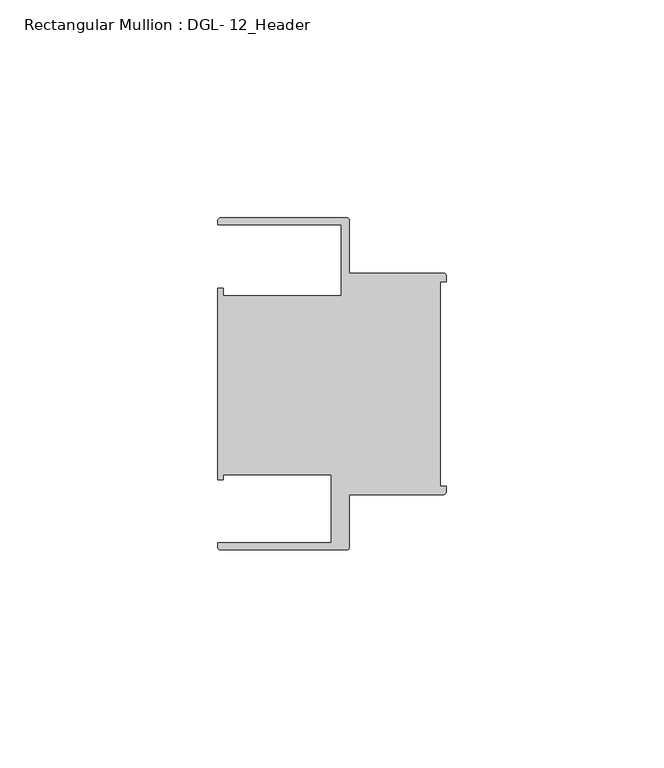
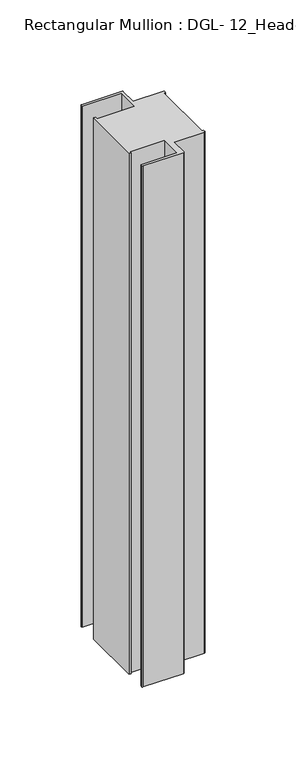
"""IFC4 building model written with IfcOpenShell, lengths in millimetres: member geometry, Rectangular Mullion : DGL- 12_Header."""

from ifc_helpers import new_model, si_unit, point, frame, frame_2d, origin, place, context, project, spatial, polyline, circle_curve, trimmed, segment, composite_curve, outline, extrude, source, transform, mapped, element, save


def rectangular_mullion_dgl_12_header_17392819(model_context):
    return source(origin(), model_context, "Body", "SweptSolid", [
        extrude(outline(composite_curve([segment(trimmed(circle_curve(frame_2d((-0.5953125, 24.8046875)), 0.5953125), [point((-0.5953125, 25.4))], [point((0.0, 24.8046875))], False, "CARTESIAN"), True, "CONTINUOUS"), segment(polyline([(0.0, 24.8046875), (0.0, 23.4882401), (-1.30175, 23.4882401), (-1.30175, -23.4882401), (0.0, -23.4882401), (0.0, -24.8046875)]), True, "CONTINUOUS"), segment(trimmed(circle_curve(frame_2d((-0.5953125, -24.8046875)), 0.5953125), [point((0.0, -24.8046875))], [point((-0.5953125, -25.4))], False, "CARTESIAN"), True, "CONTINUOUS"), segment(polyline([(-0.5953125, -25.4), (-22.2332076, -25.4), (-22.2332076, -37.5047035)]), True, "CONTINUOUS"), segment(trimmed(circle_curve(frame_2d((-22.8285201, -37.5047035)), 0.5953125), [point((-22.2332076, -37.5047035))], [point((-22.8285201, -38.100016))], False, "CARTESIAN"), True, "CONTINUOUS"), segment(polyline([(-22.8285201, -38.100016), (-51.7968699, -38.100016)]), True, "CONTINUOUS"), segment(trimmed(circle_curve(frame_2d((-51.7968699, -37.5047035)), 0.5953125), [point((-51.7968699, -38.100016))], [point((-52.3921824, -37.5047035))], False, "CARTESIAN"), True, "CONTINUOUS"), segment(polyline([(-52.3921824, -37.5047035), (-52.3921824, -36.512516), (-26.3720794, -36.512516), (-26.3720794, -20.8257348), (-51.1280305, -20.8257348), (-51.1280305, -21.9710976), (-52.3948122, -21.9710976), (-52.3948122, 21.9710976), (-51.1280305, 21.9710976), (-51.1280305, 20.1823589), (-24.0747075, 20.1823589), (-24.0747075, 36.5123462), (-52.3921824, 36.5123462), (-52.3921824, 37.5043667)]), True, "CONTINUOUS"), segment(trimmed(circle_curve(frame_2d((-51.7968699, 37.5043667)), 0.5953125), [point((-52.3921824, 37.5043667))], [point((-51.7968699, 38.0996792))], False, "CARTESIAN"), True, "CONTINUOUS"), segment(polyline([(-51.7968699, 38.0996792), (-22.8285201, 38.0996792)]), True, "CONTINUOUS"), segment(trimmed(circle_curve(frame_2d((-22.8285201, 37.5043667)), 0.5953125), [point((-22.8285201, 38.0996792))], [point((-22.2332076, 37.5043667))], False, "CARTESIAN"), True, "CONTINUOUS"), segment(polyline([(-22.2332076, 37.5043667), (-22.2332076, 25.4), (-0.5953125, 25.4)]), True, "CONTINUOUS")], self_intersect=False)), frame((0.0, 0.0, -393.7), z_axis=(0.0, 0.0, 1.0), x_axis=(1.0, 0.0, 0.0)), (0.0, 0.0, 1.0), 393.7),
    ])


if __name__ == "__main__":
    model = new_model("IFC4")
    model_context = context("Model", 3, world=origin())
    ifc_project = project(units=[si_unit("LENGTHUNIT", "METRE", prefix="MILLI")], contexts=[model_context])
    site = spatial("IfcSite", under=ifc_project)
    building = spatial("IfcBuilding", under=site)
    placement = place(None, origin())
    rectangular_mullion_dgl_12_header_shape = rectangular_mullion_dgl_12_header_17392819(model_context)
    element("IfcMember", 1, ObjectType="Rectangular Mullion : DGL- 12_Header", at=placement, inside=building, context=model_context, shape_type="MappedRepresentation", body=[
        mapped(rectangular_mullion_dgl_12_header_shape, transform((0.0, 0.0, 0.0), x_axis=(1.0, 0.0, 0.0), y_axis=(0.0, 1.0, 0.0), z_axis=(0.0, 0.0, 1.0))),
    ])
    save(model, "model.ifc")
